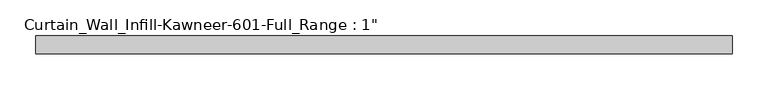
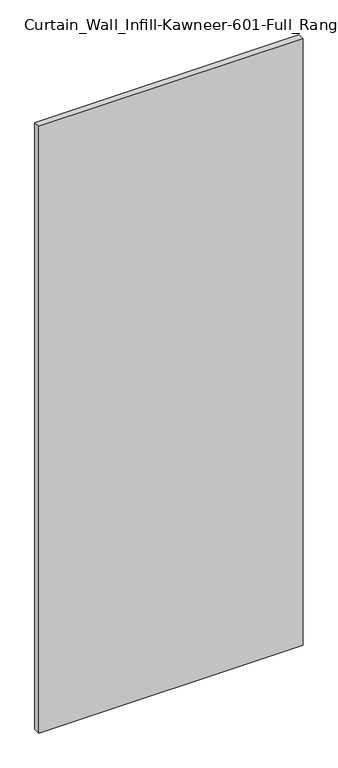
"""IFC4 building model written with IfcOpenShell, lengths in millimetres: plate geometry."""

from ifc_helpers import new_model, si_unit, origin, origin_with_axes, place, context, project, spatial, polyline, outline, extrude, source, transform, mapped, element, save


def plate_e9ccec20(model_context):
    return source(origin(), model_context, "Body", "SweptSolid", [
        extrude(outline(polyline([(-488.476925, -12.7), (-488.476925, 12.7), (488.476925, 12.7), (488.476925, -12.7), (-488.476925, -12.7)])), origin_with_axes(), (0.0, 0.0, 1.0), 2368.55),
    ])


if __name__ == "__main__":
    model = new_model("IFC4")
    model_context = context("Model", 3, world=origin())
    ifc_project = project(units=[si_unit("LENGTHUNIT", "METRE", prefix="MILLI")], contexts=[model_context])
    site = spatial("IfcSite", under=ifc_project)
    building = spatial("IfcBuilding", under=site)
    placement = place(None, origin())
    plate_shape = plate_e9ccec20(model_context)
    element("IfcPlate", 1, ObjectType="Curtain_Wall_Infill-Kawneer-601-Full_Range : 1\"", at=placement, inside=building, context=model_context, shape_type="MappedRepresentation", body=[
        mapped(plate_shape, transform((0.0, 0.0, 0.0), x_axis=(1.0, 0.0, 0.0), y_axis=(0.0, 1.0, 0.0), z_axis=(0.0, 0.0, 1.0))),
    ])
    save(model, "model.ifc")
